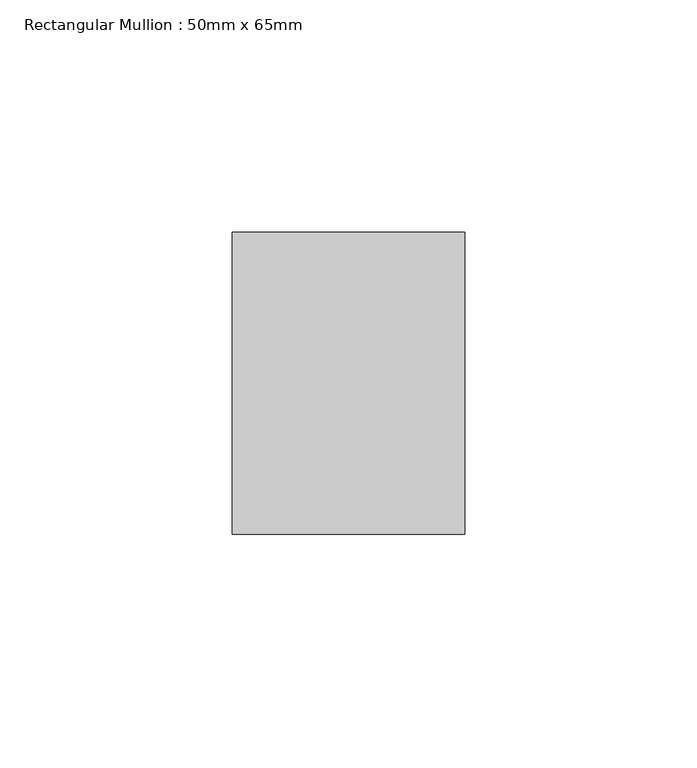
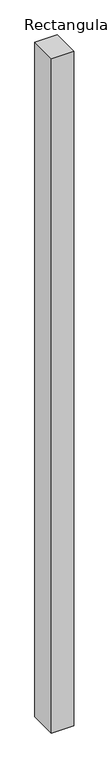
"""IFC4 building model written with IfcOpenShell, lengths in millimetres: member geometry, Rectangular Mullion : 50mm x 65mm."""

from ifc_helpers import new_model, si_unit, frame, origin, place, context, project, spatial, polyline, outline, extrude, source, transform, mapped, element, save


def rectangular_mullion_50mm_x_65mm_f2c2b6f1(model_context):
    return source(origin(), model_context, "Body", "SweptSolid", [
        extrude(outline(polyline([(25.0, 32.5), (25.0, -32.5), (-25.0, -32.5), (-25.0, 32.5), (25.0, 32.5)])), frame((0.0, 0.0, -1612.9646612), z_axis=(0.0, 0.0, 1.0), x_axis=(1.0, 0.0, 0.0)), (0.0, 0.0, 1.0), 1612.9646612),
    ])


if __name__ == "__main__":
    model = new_model("IFC4")
    model_context = context("Model", 3, world=origin())
    ifc_project = project(units=[si_unit("LENGTHUNIT", "METRE", prefix="MILLI")], contexts=[model_context])
    site = spatial("IfcSite", under=ifc_project)
    building = spatial("IfcBuilding", under=site)
    placement = place(None, origin())
    rectangular_mullion_50mm_x_65mm_shape = rectangular_mullion_50mm_x_65mm_f2c2b6f1(model_context)
    element("IfcMember", 1, ObjectType="Rectangular Mullion : 50mm x 65mm", at=placement, inside=building, context=model_context, shape_type="MappedRepresentation", body=[
        mapped(rectangular_mullion_50mm_x_65mm_shape, transform((0.0, 0.0, 0.0), x_axis=(1.0, 0.0, 0.0), y_axis=(0.0, 1.0, 0.0), z_axis=(0.0, 0.0, 1.0))),
    ])
    save(model, "model.ifc")
